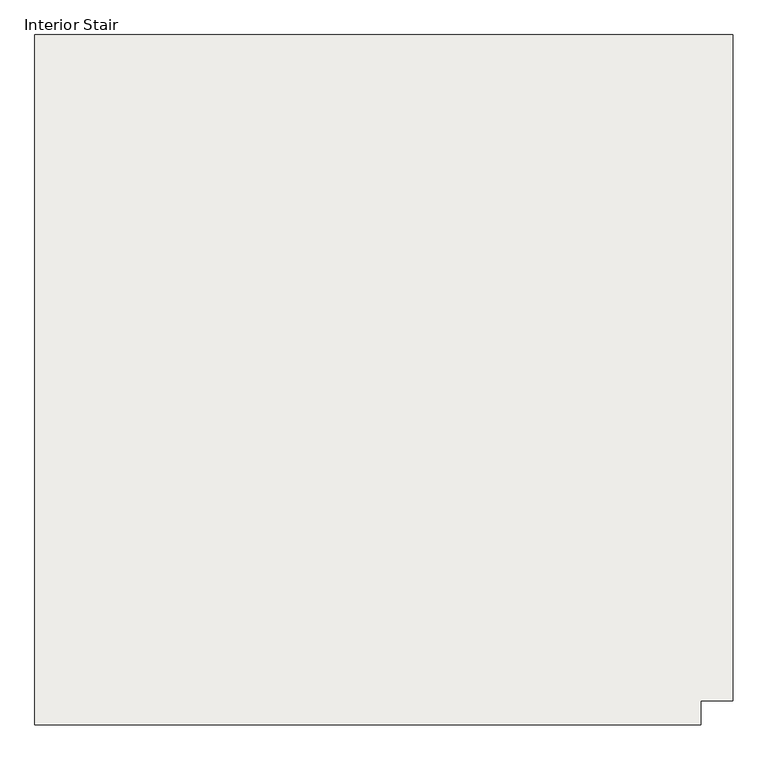
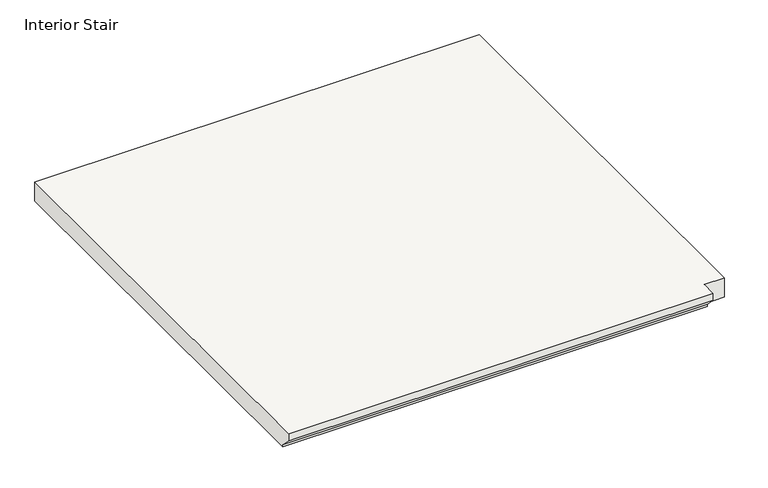
"""IFC4 building model written with IfcOpenShell, lengths in millimetres: slab geometry, Interior Stair."""

from ifc_helpers import new_model, si_unit, origin, place, context, project, spatial, faceted_brep, source, transform, mapped, element, save


def interior_stair_b8f0c701(model_context):
    return source(origin(), model_context, "Body", "Brep", [
        faceted_brep([(-576.255103, 2312.3572284, 1539.875), (-525.455103, 2312.3572284, 1539.875), (-525.455103, 3379.1572284, 1539.875), (-1643.055103, 3379.1572284, 1539.875), (-1643.055103, 2274.2572284, 1539.875), (-576.255103, 2274.2572284, 1539.875), (-576.255103, 2299.6572284, 1489.075), (-1643.055103, 2299.6572284, 1489.075), (-1643.055103, 3379.1572284, 1489.075), (-525.455103, 3379.1572284, 1489.075), (-525.455103, 2312.3572284, 1489.075), (-576.255103, 2312.3572284, 1489.075), (-576.255103, 2299.6572284, 1495.425), (-1643.055103, 2299.6572284, 1495.425), (-1643.055103, 2274.2572284, 1520.825), (-576.255103, 2274.2572284, 1520.825)], [[[0, 1, 2, 3, 4, 5]], [[6, 7, 8, 9, 10, 11]], [[7, 6, 12, 13]], [[2, 1, 10, 9]], [[3, 2, 9, 8]], [[4, 3, 8, 7, 13, 14]], [[15, 5, 4, 14]], [[12, 15, 14, 13]], [[0, 5, 15, 12, 6, 11]], [[1, 0, 11, 10]]]),
    ])


if __name__ == "__main__":
    model = new_model("IFC4")
    model_context = context("Model", 3, world=origin())
    ifc_project = project(units=[si_unit("LENGTHUNIT", "METRE", prefix="MILLI")], contexts=[model_context])
    site = spatial("IfcSite", under=ifc_project)
    building = spatial("IfcBuilding", under=site)
    placement = place(None, origin())
    interior_stair_shape = interior_stair_b8f0c701(model_context)
    element("IfcSlab", 1, ObjectType="Interior Stair", at=placement, inside=building, context=model_context, shape_type="MappedRepresentation", body=[
        mapped(interior_stair_shape, transform((0.0, 0.0, 0.0), x_axis=(1.0, 0.0, 0.0), y_axis=(0.0, 1.0, 0.0), z_axis=(0.0, 0.0, 1.0))),
    ])
    save(model, "model.ifc")
